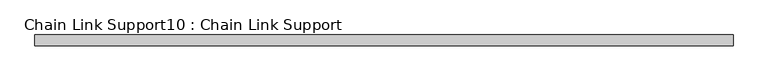
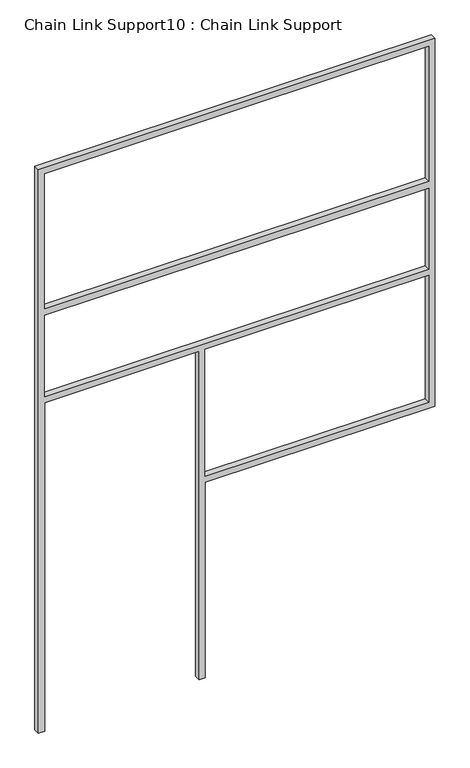
"""IFC4 building model written with IfcOpenShell, lengths in millimetres: proxy geometry, Chain Link Support10 : Chain Link Support."""

from ifc_helpers import new_model, si_unit, frame, origin, place, context, project, spatial, polyline, outline, extrude, source, transform, mapped, element, save


def chain_link_support10_chain_link_support_342ebeca(model_context):
    return source(origin(), model_context, "Body", "SweptSolid", [
        extrude(outline(polyline([(3657.6, -19436.1368371), (0.0, -19436.1368371), (0.0, -19398.0368371), (2133.6, -19398.0368371), (2133.6, -18448.7118371), (0.0, -18448.7118371), (0.0, -18410.6118371), (1270.0, -18410.6118371), (1270.0, -16997.7368371), (3657.6, -16997.7368371), (3657.6, -19436.1368371)]), holes=[polyline([(2743.2, -19398.0368371), (3619.5, -19398.0368371), (3619.5, -17035.8368371), (2743.2, -17035.8368371), (2743.2, -19398.0368371)]), polyline([(1308.1, -17035.8368371), (1308.1, -18410.6118371), (2133.6, -18410.6118371), (2133.6, -17035.8368371), (1308.1, -17035.8368371)]), polyline([(2171.7, -19398.0368371), (2698.75, -19398.0368371), (2698.75, -17035.8368371), (2171.7, -17035.8368371), (2171.7, -19398.0368371)])]), frame((0.0, 738.9021235, 0.0), z_axis=(0.0, 1.0, 0.0), x_axis=(0.0, 0.0, 1.0)), (0.0, 0.0, 1.0), 38.1),
    ])


if __name__ == "__main__":
    model = new_model("IFC4")
    model_context = context("Model", 3, world=origin())
    ifc_project = project(units=[si_unit("LENGTHUNIT", "METRE", prefix="MILLI")], contexts=[model_context])
    site = spatial("IfcSite", under=ifc_project)
    building = spatial("IfcBuilding", under=site)
    placement = place(None, origin())
    chain_link_support10_chain_link_support_shape = chain_link_support10_chain_link_support_342ebeca(model_context)
    element("IfcBuildingElementProxy", 1, Name="Chain Link Support10 : Chain Link Support", ObjectType="Chain Link Support10 : Chain Link Support", at=placement, inside=building, context=model_context, shape_type="MappedRepresentation", body=[
        mapped(chain_link_support10_chain_link_support_shape, transform((0.0, 0.0, 0.0), x_axis=(1.0, 0.0, 0.0), y_axis=(0.0, 1.0, 0.0), z_axis=(0.0, 0.0, 1.0))),
    ])
    save(model, "model.ifc")
